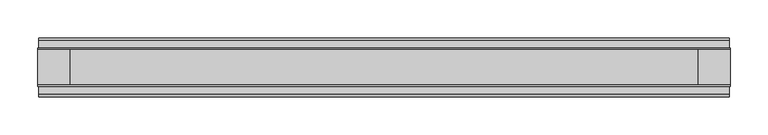
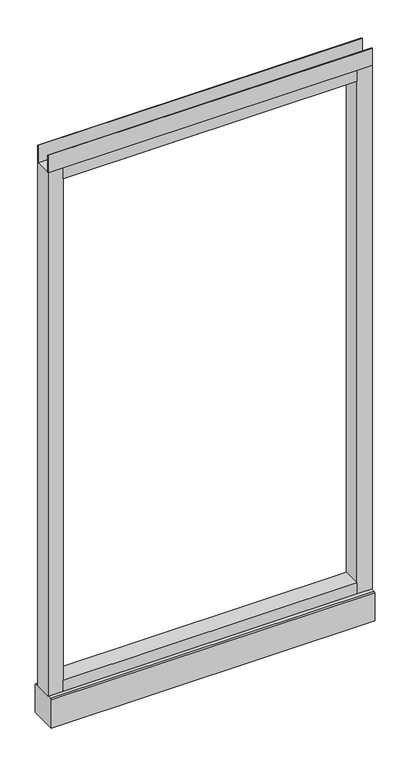
"""IFC4 building model written with IfcOpenShell, lengths in millimetres: furniture geometry."""

from ifc_helpers import new_model, si_unit, point, frame, frame_2d, origin, place, context, project, spatial, polyline, circle_curve, trimmed, segment, composite_curve, outline, extrude, source, transform, mapped, element, save
from ifc_brep_helpers import plane_surface, revolved_surface, advanced_brep


def furniture_0d541991(model_context):
    return source(origin(), model_context, "Body", "SolidModel", [
        advanced_brep(
        [(387.35, 0.0, 6.35), (412.75, 0.0, 6.35), (381.0, 0.0, 0.0), (419.1, 0.0, 0.0)],
        [
            (0, 1, circle_curve(frame((400.05, 0.0, 6.35), z_axis=(0.0, 0.0, 1.0), x_axis=(-1.0, 0.0, 0.0)), 12.7)),
            (1, 0, circle_curve(frame((400.05, 0.0, 6.35), z_axis=(0.0, 0.0, 1.0), x_axis=(1.0, 0.0, 0.0)), 12.7)),
            (2, 3, circle_curve(frame((400.05, 0.0, 0.0), z_axis=(0.0, 0.0, -1.0), x_axis=(1.0, 0.0, 0.0)), 19.05)),
            (3, 2, circle_curve(frame((400.05, 0.0, 0.0), z_axis=(0.0, 0.0, -1.0), x_axis=(-1.0, 0.0, 0.0)), 19.05)),
            (3, 1),
            (0, 2),
        ],
        [
            plane_surface(frame((400.05, 0.0, 6.35), z_axis=(0.0, 0.0, 1.0), x_axis=(0.0, -1.0, 0.0))),
            plane_surface(frame((400.05, 0.0, 0.0), z_axis=(0.0, 0.0, -1.0), x_axis=(0.0, -1.0, 0.0))),
            revolved_surface(polyline([(387.35, 0.0, 6.35), (381.0, 0.0, 0.0)]), (400.05, 0.0, 19.05), (0.0, 0.0, -1.0)),
            revolved_surface(polyline([(412.75, 0.0, 6.35), (419.1, 0.0, 0.0)]), (400.05, 0.0, 19.05), (0.0, 0.0, -1.0)),
        ],
        [
            (0, [[1, 2]]),
            (1, [[3, 4]]),
            (2, [[-4, 5, -1, 6]]),
            (3, [[-3, -6, -2, -5]]),
        ],
    ),
        advanced_brep(
        [(-412.75, 0.0, 6.35), (-387.35, 0.0, 6.35), (-419.1, 0.0, 0.0), (-381.0, 0.0, 0.0)],
        [
            (0, 1, circle_curve(frame((-400.05, 0.0, 6.35), z_axis=(0.0, 0.0, 1.0), x_axis=(-1.0, 0.0, 0.0)), 12.7)),
            (1, 0, circle_curve(frame((-400.05, 0.0, 6.35), z_axis=(0.0, 0.0, 1.0), x_axis=(1.0, 0.0, 0.0)), 12.7)),
            (2, 3, circle_curve(frame((-400.05, 0.0, 0.0), z_axis=(0.0, 0.0, -1.0), x_axis=(1.0, 0.0, 0.0)), 19.05)),
            (3, 2, circle_curve(frame((-400.05, 0.0, 0.0), z_axis=(0.0, 0.0, -1.0), x_axis=(-1.0, 0.0, 0.0)), 19.05)),
            (3, 1),
            (0, 2),
        ],
        [
            plane_surface(frame((-400.05, 0.0, 6.35), z_axis=(0.0, 0.0, 1.0), x_axis=(0.0, -1.0, 0.0))),
            plane_surface(frame((-400.05, 0.0, 0.0), z_axis=(0.0, 0.0, -1.0), x_axis=(0.0, -1.0, 0.0))),
            revolved_surface(polyline([(-412.75, 0.0, 6.35), (-419.1, 0.0, 0.0)]), (-400.05, 0.0, 19.05), (0.0, 0.0, -1.0)),
            revolved_surface(polyline([(-387.35, 0.0, 6.35), (-381.0, 0.0, 0.0)]), (-400.05, 0.0, 19.05), (0.0, 0.0, -1.0)),
        ],
        [
            (0, [[1, 2]]),
            (1, [[3, 4]]),
            (2, [[-4, 5, -1, 6]]),
            (3, [[-3, -6, -2, -5]]),
        ],
    ),
        extrude(outline(polyline([(457.2, -23.8125), (457.2, -25.4), (-457.2, -25.4), (-457.2, -23.8125), (457.2, -23.8125)])), frame((0.0, 0.0, 1661.033), z_axis=(0.0, 0.0, 1.0), x_axis=(1.0, 0.0, 0.0)), (0.0, 0.0, 1.0), 51.435),
        extrude(outline(polyline([(457.2, 25.4), (457.2, 23.8125), (-457.2, 23.8125), (-457.2, 25.4), (457.2, 25.4)])), frame((0.0, 0.0, 1661.033), z_axis=(0.0, 0.0, 1.0), x_axis=(1.0, 0.0, 0.0)), (0.0, 0.0, 1.0), 51.435),
        extrude(outline(polyline([(414.3375, -25.4), (-414.3375, -25.4), (-414.3375, 25.4), (414.3375, 25.4), (414.3375, -25.4)])), frame((0.0, 0.0, 1628.14), z_axis=(0.0, 0.0, 1.0), x_axis=(1.0, 0.0, 0.0)), (0.0, 0.0, 1.0), 32.893),
        extrude(outline(polyline([(414.3375, -25.4), (-414.3375, -25.4), (-414.3375, 25.4), (414.3375, 25.4), (414.3375, -25.4)])), frame((0.0, 0.0, 101.6), z_axis=(0.0, 0.0, 1.0), x_axis=(1.0, 0.0, 0.0)), (0.0, 0.0, 1.0), 32.893),
        extrude(outline(composite_curve([segment(trimmed(circle_curve(frame_2d((-400.05, 0.0)), 5.55625), [point((-405.60625, 0.0))], [point((-394.49375, 0.0))], False, "CARTESIAN"), True, "CONTINUOUS"), segment(trimmed(circle_curve(frame_2d((-400.05, 0.0)), 5.55625), [point((-394.49375, 0.0))], [point((-405.60625, 0.0))], False, "CARTESIAN"), True, "CONTINUOUS")], self_intersect=False)), frame((0.0, 0.0, 6.35), z_axis=(0.0, 0.0, 1.0), x_axis=(1.0, 0.0, 0.0)), (0.0, 0.0, 1.0), 7.9375),
        extrude(outline(composite_curve([segment(trimmed(circle_curve(frame_2d((400.05, 0.0)), 5.55625), [point((394.49375, 0.0))], [point((405.60625, 0.0))], False, "CARTESIAN"), True, "CONTINUOUS"), segment(trimmed(circle_curve(frame_2d((400.05, 0.0)), 5.55625), [point((405.60625, 0.0))], [point((394.49375, 0.0))], False, "CARTESIAN"), True, "CONTINUOUS")], self_intersect=False)), frame((0.0, 0.0, 6.35), z_axis=(0.0, 0.0, 1.0), x_axis=(1.0, 0.0, 0.0)), (0.0, 0.0, 1.0), 7.9375),
        extrude(outline(polyline([(-414.3375, -25.4), (-457.2, -25.4), (-457.2, 25.4), (-414.3375, 25.4), (-414.3375, -25.4)])), frame((0.0, 0.0, 101.6), z_axis=(0.0, 0.0, 1.0), x_axis=(1.0, 0.0, 0.0)), (0.0, 0.0, 1.0), 1559.433),
        extrude(outline(polyline([(457.2, -25.4), (414.3375, -25.4), (414.3375, 25.4), (457.2, 25.4), (457.2, -25.4)])), frame((0.0, 0.0, 101.6), z_axis=(0.0, 0.0, 1.0), x_axis=(1.0, 0.0, 0.0)), (0.0, 0.0, 1.0), 1559.433),
        extrude(outline(polyline([(-35.9171875, 101.6), (35.9171875, 101.6), (39.0921875, 98.425), (39.0921875, 14.2875), (-39.0921875, 14.2875), (-39.0921875, 98.425), (-35.9171875, 101.6)])), frame((-456.057, 0.0, 0.0), z_axis=(1.0, 0.0, 0.0), x_axis=(0.0, 1.0, 0.0)), (0.0, 0.0, 1.0), 912.1140102),
    ])


if __name__ == "__main__":
    model = new_model("IFC4")
    model_context = context("Model", 3, world=origin())
    ifc_project = project(units=[si_unit("LENGTHUNIT", "METRE", prefix="MILLI")], contexts=[model_context])
    site = spatial("IfcSite", under=ifc_project)
    building = spatial("IfcBuilding", under=site)
    placement = place(None, origin())
    furniture_shape = furniture_0d541991(model_context)
    element("IfcFurniture", 1, at=placement, inside=building, context=model_context, shape_type="MappedRepresentation", body=[
        mapped(furniture_shape, transform((0.0, 0.0, 0.0), x_axis=(1.0, 0.0, 0.0), y_axis=(0.0, 1.0, 0.0), z_axis=(0.0, 0.0, 1.0))),
    ])
    save(model, "model.ifc")
